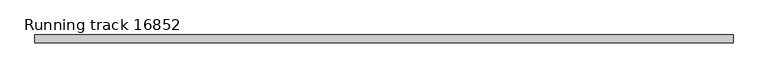
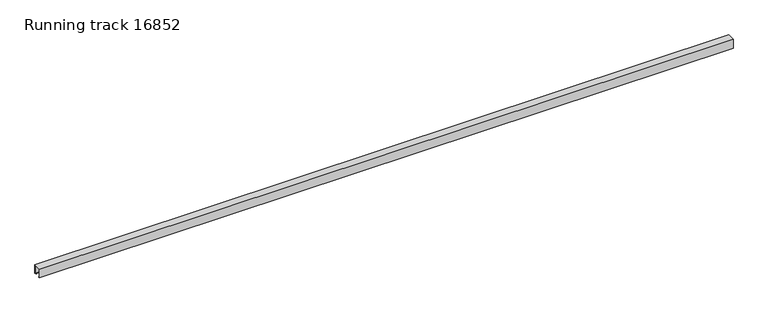
"""IFC4 building model written with IfcOpenShell, lengths in millimetres: proxy geometry, Running track 16852."""

from ifc_helpers import new_model, si_unit, frame, origin, place, context, project, spatial, polyline, outline, extrude, source, transform, mapped, element, save


def running_track_16852_6babf2e1(model_context):
    return source(origin(), model_context, "Body", "SweptSolid", [
        extrude(outline(polyline([(25.0, 0.0), (17.0, 0.0), (17.0, 3.0), (21.9166556, 3.0), (21.9166556, 55.0), (-22.0, 55.0), (-22.0, 3.0), (-17.0, 3.0), (-17.0, 0.0), (-25.0, 0.0), (-25.0, 58.0), (25.0, 58.0), (25.0, 0.0)])), frame((0.0, 0.0, 0.0), z_axis=(1.0, 0.0, 0.0), x_axis=(0.0, 1.0, 0.0)), (0.0, 0.0, 1.0), 4392.5389967),
    ])


if __name__ == "__main__":
    model = new_model("IFC4")
    model_context = context("Model", 3, world=origin())
    ifc_project = project(units=[si_unit("LENGTHUNIT", "METRE", prefix="MILLI")], contexts=[model_context])
    site = spatial("IfcSite", under=ifc_project)
    building = spatial("IfcBuilding", under=site)
    placement = place(None, origin())
    running_track_16852_shape = running_track_16852_6babf2e1(model_context)
    element("IfcBuildingElementProxy", 1, Name="Running track 16852", ObjectType="Running track 16852", at=placement, inside=building, context=model_context, shape_type="MappedRepresentation", body=[
        mapped(running_track_16852_shape, transform((0.0, 0.0, 0.0), x_axis=(1.0, 0.0, 0.0), y_axis=(0.0, 1.0, 0.0), z_axis=(0.0, 0.0, 1.0))),
    ])
    save(model, "model.ifc")
